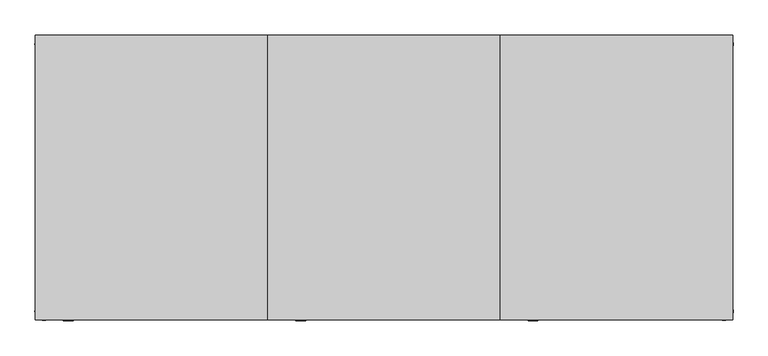
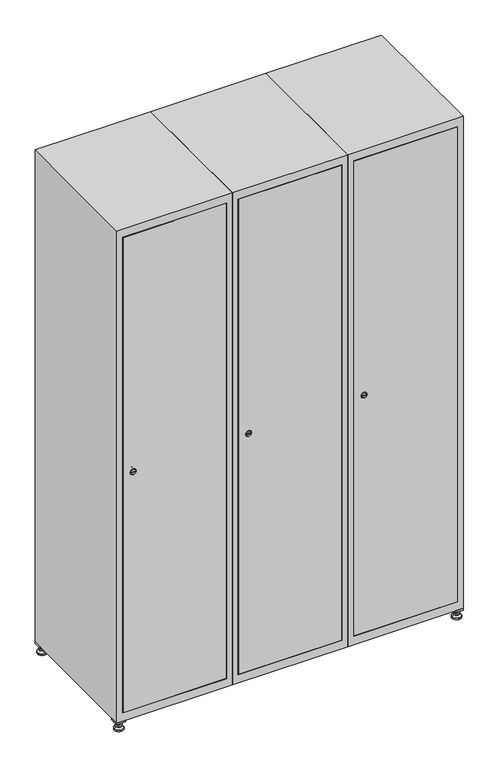
"""IFC4 building model written with IfcOpenShell, lengths in millimetres: furniture geometry."""

from ifc_helpers import new_model, si_unit, point, frame, frame_2d, origin, origin_with_axes, place, context, project, spatial, polyline, circle_curve, trimmed, segment, composite_curve, outline, extrude, faceted_brep, source, transform, mapped, element, save
from ifc_brep_helpers import plane_surface, revolved_surface, advanced_brep


def furniture_779069bf(model_context):
    return source(origin(), model_context, "Body", "SolidModel", [
        extrude(outline(polyline([(1000.0, 245.0), (1000.0, 215.0), (970.0, 215.0), (970.0, 245.0), (1000.0, 245.0)]), holes=[polyline([(998.0, 243.0), (972.0, 243.0), (972.0, 217.0), (998.0, 217.0), (998.0, 243.0)])]), frame((0.0, 0.0, 28.5), z_axis=(0.0, 0.0, 1.0), x_axis=(1.0, 0.0, 0.0)), (0.0, 0.0, 1.0), 6.5),
        extrude(outline(polyline([(970.0, -245.0), (970.0, -215.0), (1000.0, -215.0), (1000.0, -245.0), (970.0, -245.0)]), holes=[polyline([(972.0, -243.0), (998.0, -243.0), (998.0, -217.0), (972.0, -217.0), (972.0, -243.0)])]), frame((0.0, 0.0, 28.5), z_axis=(0.0, 0.0, 1.0), x_axis=(1.0, 0.0, 0.0)), (0.0, 0.0, 1.0), 6.5),
        extrude(outline(polyline([(-170.0, 245.0), (-170.0, 215.0), (-200.0, 215.0), (-200.0, 245.0), (-170.0, 245.0)]), holes=[polyline([(-172.0, 243.0), (-198.0, 243.0), (-198.0, 217.0), (-172.0, 217.0), (-172.0, 243.0)])]), frame((0.0, 0.0, 28.5), z_axis=(0.0, 0.0, 1.0), x_axis=(1.0, 0.0, 0.0)), (0.0, 0.0, 1.0), 6.5),
        extrude(outline(polyline([(-170.0, -215.0), (-170.0, -245.0), (-200.0, -245.0), (-200.0, -215.0), (-170.0, -215.0)]), holes=[polyline([(-198.0, -243.0), (-172.0, -243.0), (-172.0, -217.0), (-198.0, -217.0), (-198.0, -243.0)])]), frame((0.0, 0.0, 28.5), z_axis=(0.0, 0.0, 1.0), x_axis=(1.0, 0.0, 0.0)), (0.0, 0.0, 1.0), 6.5),
        extrude(outline(composite_curve([segment(trimmed(circle_curve(frame_2d((-185.0, 230.0)), 5.0), [point((-180.0, 230.0))], [point((-190.0, 230.0))], False, "CARTESIAN"), True, "CONTINUOUS"), segment(trimmed(circle_curve(frame_2d((-185.0, 230.0)), 5.0), [point((-190.0, 230.0))], [point((-180.0, 230.0))], False, "CARTESIAN"), True, "CONTINUOUS")], self_intersect=False)), frame((0.0, 0.0, 19.6), z_axis=(0.0, 0.0, 1.0), x_axis=(1.0, 0.0, 0.0)), (0.0, 0.0, 1.0), 15.4),
        extrude(outline(composite_curve([segment(trimmed(circle_curve(frame_2d((-185.0, -230.0)), 5.0), [point((-180.0, -230.0))], [point((-190.0, -230.0))], False, "CARTESIAN"), True, "CONTINUOUS"), segment(trimmed(circle_curve(frame_2d((-185.0, -230.0)), 5.0), [point((-190.0, -230.0))], [point((-180.0, -230.0))], False, "CARTESIAN"), True, "CONTINUOUS")], self_intersect=False)), frame((0.0, 0.0, 19.6), z_axis=(0.0, 0.0, 1.0), x_axis=(1.0, 0.0, 0.0)), (0.0, 0.0, 1.0), 15.4),
        extrude(outline(composite_curve([segment(trimmed(circle_curve(frame_2d((985.0, 230.0)), 5.0), [point((990.0, 230.0))], [point((980.0, 230.0))], False, "CARTESIAN"), True, "CONTINUOUS"), segment(trimmed(circle_curve(frame_2d((985.0, 230.0)), 5.0), [point((980.0, 230.0))], [point((990.0, 230.0))], False, "CARTESIAN"), True, "CONTINUOUS")], self_intersect=False)), frame((0.0, 0.0, 19.6), z_axis=(0.0, 0.0, 1.0), x_axis=(1.0, 0.0, 0.0)), (0.0, 0.0, 1.0), 15.4),
        extrude(outline(polyline([(973.4529946, 230.0), (979.2264973, 240.0), (990.7735027, 240.0), (996.5470054, 230.0), (990.7735027, 220.0), (979.2264973, 220.0), (973.4529946, 230.0)])), frame((0.0, 0.0, 13.6), z_axis=(0.0, 0.0, 1.0), x_axis=(1.0, 0.0, 0.0)), (0.0, 0.0, 1.0), 6.0),
        extrude(outline(composite_curve([segment(trimmed(circle_curve(frame_2d((985.0, -230.0)), 5.0), [point((990.0, -230.0))], [point((980.0, -230.0))], False, "CARTESIAN"), True, "CONTINUOUS"), segment(trimmed(circle_curve(frame_2d((985.0, -230.0)), 5.0), [point((980.0, -230.0))], [point((990.0, -230.0))], False, "CARTESIAN"), True, "CONTINUOUS")], self_intersect=False)), frame((0.0, 0.0, 19.6), z_axis=(0.0, 0.0, 1.0), x_axis=(1.0, 0.0, 0.0)), (0.0, 0.0, 1.0), 15.4),
        extrude(outline(polyline([(973.4529946, -230.0), (979.2264973, -220.0), (990.7735027, -220.0), (996.5470054, -230.0), (990.7735027, -240.0), (979.2264973, -240.0), (973.4529946, -230.0)])), frame((0.0, 0.0, 13.6), z_axis=(0.0, 0.0, 1.0), x_axis=(1.0, 0.0, 0.0)), (0.0, 0.0, 1.0), 6.0),
        extrude(outline(composite_curve([segment(trimmed(circle_curve(frame_2d((985.0, 230.0)), 5.0), [point((990.0, 230.0))], [point((980.0, 230.0))], False, "CARTESIAN"), True, "CONTINUOUS"), segment(trimmed(circle_curve(frame_2d((985.0, 230.0)), 5.0), [point((980.0, 230.0))], [point((990.0, 230.0))], False, "CARTESIAN"), True, "CONTINUOUS")], self_intersect=False)), frame((0.0, 0.0, 12.1), z_axis=(0.0, 0.0, 1.0), x_axis=(1.0, 0.0, 0.0)), (0.0, 0.0, 1.0), 1.5),
        extrude(outline(composite_curve([segment(trimmed(circle_curve(frame_2d((985.0, -230.0)), 5.0), [point((990.0, -230.0))], [point((980.0, -230.0))], False, "CARTESIAN"), True, "CONTINUOUS"), segment(trimmed(circle_curve(frame_2d((985.0, -230.0)), 5.0), [point((980.0, -230.0))], [point((990.0, -230.0))], False, "CARTESIAN"), True, "CONTINUOUS")], self_intersect=False)), frame((0.0, 0.0, 12.1), z_axis=(0.0, 0.0, 1.0), x_axis=(1.0, 0.0, 0.0)), (0.0, 0.0, 1.0), 1.5),
        extrude(outline(polyline([(-196.5470054, 230.0), (-190.7735027, 240.0), (-179.2264973, 240.0), (-173.4529946, 230.0), (-179.2264973, 220.0), (-190.7735027, 220.0), (-196.5470054, 230.0)])), frame((0.0, 0.0, 13.6), z_axis=(0.0, 0.0, 1.0), x_axis=(1.0, 0.0, 0.0)), (0.0, 0.0, 1.0), 6.0),
        extrude(outline(polyline([(-196.5470054, -230.0), (-190.7735027, -220.0), (-179.2264973, -220.0), (-173.4529946, -230.0), (-179.2264973, -240.0), (-190.7735027, -240.0), (-196.5470054, -230.0)])), frame((0.0, 0.0, 13.6), z_axis=(0.0, 0.0, 1.0), x_axis=(1.0, 0.0, 0.0)), (0.0, 0.0, 1.0), 6.0),
        extrude(outline(composite_curve([segment(trimmed(circle_curve(frame_2d((-185.0, 230.0)), 5.0), [point((-185.0, 235.0))], [point((-185.0, 225.0))], False, "CARTESIAN"), True, "CONTINUOUS"), segment(trimmed(circle_curve(frame_2d((-185.0, 230.0)), 5.0), [point((-185.0, 225.0))], [point((-185.0, 235.0))], False, "CARTESIAN"), True, "CONTINUOUS")], self_intersect=False)), frame((0.0, 0.0, 12.1), z_axis=(0.0, 0.0, 1.0), x_axis=(1.0, 0.0, 0.0)), (0.0, 0.0, 1.0), 1.5),
        extrude(outline(composite_curve([segment(trimmed(circle_curve(frame_2d((-185.0, -230.0)), 5.0), [point((-180.0, -230.0))], [point((-190.0, -230.0))], False, "CARTESIAN"), True, "CONTINUOUS"), segment(trimmed(circle_curve(frame_2d((-185.0, -230.0)), 5.0), [point((-190.0, -230.0))], [point((-180.0, -230.0))], False, "CARTESIAN"), True, "CONTINUOUS")], self_intersect=False)), frame((0.0, 0.0, 12.1), z_axis=(0.0, 0.0, 1.0), x_axis=(1.0, 0.0, 0.0)), (0.0, 0.0, 1.0), 1.5),
        extrude(outline(composite_curve([segment(trimmed(circle_curve(frame_2d((985.0, 230.0)), 15.75), [point((1000.75, 230.0))], [point((969.25, 230.0))], False, "CARTESIAN"), True, "CONTINUOUS"), segment(trimmed(circle_curve(frame_2d((985.0, 230.0)), 15.75), [point((969.25, 230.0))], [point((1000.75, 230.0))], False, "CARTESIAN"), True, "CONTINUOUS")], self_intersect=False)), origin_with_axes(), (0.0, 0.0, 1.0), 5.1),
        extrude(outline(composite_curve([segment(trimmed(circle_curve(frame_2d((985.0, -230.0)), 15.75), [point((985.0, -214.25))], [point((985.0, -245.75))], False, "CARTESIAN"), True, "CONTINUOUS"), segment(trimmed(circle_curve(frame_2d((985.0, -230.0)), 15.75), [point((985.0, -245.75))], [point((985.0, -214.25))], False, "CARTESIAN"), True, "CONTINUOUS")], self_intersect=False)), origin_with_axes(), (0.0, 0.0, 1.0), 5.1),
        extrude(outline(composite_curve([segment(trimmed(circle_curve(frame_2d((-185.0, -230.0)), 15.75), [point((-169.25, -230.0))], [point((-200.75, -230.0))], False, "CARTESIAN"), True, "CONTINUOUS"), segment(trimmed(circle_curve(frame_2d((-185.0, -230.0)), 15.75), [point((-200.75, -230.0))], [point((-169.25, -230.0))], False, "CARTESIAN"), True, "CONTINUOUS")], self_intersect=False)), origin_with_axes(), (0.0, 0.0, 1.0), 5.1),
        extrude(outline(composite_curve([segment(trimmed(circle_curve(frame_2d((-185.0, 230.0)), 15.75), [point((-169.25, 230.0))], [point((-200.75, 230.0))], False, "CARTESIAN"), True, "CONTINUOUS"), segment(trimmed(circle_curve(frame_2d((-185.0, 230.0)), 15.75), [point((-200.75, 230.0))], [point((-169.25, 230.0))], False, "CARTESIAN"), True, "CONTINUOUS")], self_intersect=False)), origin_with_axes(), (0.0, 0.0, 1.0), 5.1),
        advanced_brep(
        [(-185.0, 245.75, 5.1), (-185.0, 214.25, 5.1), (-185.0, 239.5, 12.1), (-185.0, 220.5, 12.1)],
        [
            (0, 1, circle_curve(frame((-185.0, 230.0, 5.1), z_axis=(0.0, 0.0, -1.0), x_axis=(0.0, 1.0, 0.0)), 15.75)),
            (1, 0, circle_curve(frame((-185.0, 230.0, 5.1), z_axis=(0.0, 0.0, -1.0), x_axis=(0.0, -1.0, 0.0)), 15.75)),
            (2, 3, circle_curve(frame((-185.0, 230.0, 12.1), z_axis=(0.0, 0.0, 1.0), x_axis=(0.0, -1.0, 0.0)), 9.5)),
            (3, 2, circle_curve(frame((-185.0, 230.0, 12.1), z_axis=(0.0, 0.0, 1.0), x_axis=(0.0, 1.0, 0.0)), 9.5)),
            (3, 1),
            (0, 2),
        ],
        [
            plane_surface(frame((-185.0, 230.0, 5.1), z_axis=(0.0, 0.0, -1.0), x_axis=(1.0, 0.0, 0.0))),
            plane_surface(frame((-185.0, 230.0, 12.1), z_axis=(0.0, 0.0, 1.0), x_axis=(1.0, 0.0, 0.0))),
            revolved_surface(polyline([(-185.0, 220.5, 12.099999999999998), (-185.0, 214.25, 5.099999999999998)]), (-185.0, 230.0, 22.74), (0.0, 0.0, -1.0)),
            revolved_surface(polyline([(-185.0, 239.5, 12.099999999999998), (-185.0, 245.75, 5.099999999999998)]), (-185.0, 230.0, 22.74), (0.0, 0.0, -1.0)),
        ],
        [
            (0, [[1, 2]]),
            (1, [[3, 4]]),
            (2, [[-4, 5, -1, 6]]),
            (3, [[-3, -6, -2, -5]]),
        ],
    ),
        advanced_brep(
        [(985.0, 245.75, 5.1), (985.0, 214.25, 5.1), (985.0, 239.5, 12.1), (985.0, 220.5, 12.1)],
        [
            (0, 1, circle_curve(frame((985.0, 230.0, 5.1), z_axis=(0.0, 0.0, -1.0), x_axis=(0.0, 1.0, 0.0)), 15.75)),
            (1, 0, circle_curve(frame((985.0, 230.0, 5.1), z_axis=(0.0, 0.0, -1.0), x_axis=(0.0, -1.0, 0.0)), 15.75)),
            (2, 3, circle_curve(frame((985.0, 230.0, 12.1), z_axis=(0.0, 0.0, 1.0), x_axis=(0.0, -1.0, 0.0)), 9.5)),
            (3, 2, circle_curve(frame((985.0, 230.0, 12.1), z_axis=(0.0, 0.0, 1.0), x_axis=(0.0, 1.0, 0.0)), 9.5)),
            (3, 1),
            (0, 2),
        ],
        [
            plane_surface(frame((985.0, 230.0, 5.1), z_axis=(0.0, 0.0, -1.0), x_axis=(1.0, 0.0, 0.0))),
            plane_surface(frame((985.0, 230.0, 12.1), z_axis=(0.0, 0.0, 1.0), x_axis=(1.0, 0.0, 0.0))),
            revolved_surface(polyline([(985.0, 220.5, 12.099999999999998), (985.0, 214.25, 5.099999999999998)]), (985.0, 230.0, 22.74), (0.0, 0.0, -1.0)),
            revolved_surface(polyline([(985.0, 239.5, 12.099999999999998), (985.0, 245.75, 5.099999999999998)]), (985.0, 230.0, 22.74), (0.0, 0.0, -1.0)),
        ],
        [
            (0, [[1, 2]]),
            (1, [[3, 4]]),
            (2, [[-4, 5, -1, 6]]),
            (3, [[-3, -6, -2, -5]]),
        ],
    ),
        advanced_brep(
        [(994.5, -230.0, 12.1), (975.5, -230.0, 12.1), (1000.75, -230.0, 5.1), (969.25, -230.0, 5.1)],
        [
            (0, 1, circle_curve(frame((985.0, -230.0, 12.1), z_axis=(0.0, 0.0, 1.0), x_axis=(1.0, 0.0, 0.0)), 9.5)),
            (1, 0, circle_curve(frame((985.0, -230.0, 12.1), z_axis=(0.0, 0.0, 1.0), x_axis=(-1.0, 0.0, 0.0)), 9.5)),
            (2, 3, circle_curve(frame((985.0, -230.0, 5.1), z_axis=(0.0, 0.0, -1.0), x_axis=(-1.0, 0.0, 0.0)), 15.75)),
            (3, 2, circle_curve(frame((985.0, -230.0, 5.1), z_axis=(0.0, 0.0, -1.0), x_axis=(1.0, 0.0, 0.0)), 15.75)),
            (3, 1),
            (0, 2),
        ],
        [
            plane_surface(frame((985.0, -230.0, 12.1), z_axis=(0.0, 0.0, 1.0), x_axis=(0.0, 1.0, 0.0))),
            plane_surface(frame((985.0, -230.0, 5.1), z_axis=(0.0, 0.0, -1.0), x_axis=(0.0, 1.0, 0.0))),
            revolved_surface(polyline([(994.5, -230.0, 12.099999999999998), (1000.75, -230.0, 5.099999999999998)]), (985.0, -230.0, 22.74), (0.0, 0.0, -1.0)),
            revolved_surface(polyline([(975.5, -230.0, 12.099999999999998), (969.25, -230.0, 5.099999999999998)]), (985.0, -230.0, 22.74), (0.0, 0.0, -1.0)),
        ],
        [
            (0, [[1, 2]]),
            (1, [[3, 4]]),
            (2, [[-4, 5, -1, 6]]),
            (3, [[-3, -6, -2, -5]]),
        ],
    ),
        advanced_brep(
        [(-175.5, -230.0, 12.1), (-194.5, -230.0, 12.1), (-169.25, -230.0, 5.1), (-200.75, -230.0, 5.1)],
        [
            (0, 1, circle_curve(frame((-185.0, -230.0, 12.1), z_axis=(0.0, 0.0, 1.0), x_axis=(1.0, 0.0, 0.0)), 9.5)),
            (1, 0, circle_curve(frame((-185.0, -230.0, 12.1), z_axis=(0.0, 0.0, 1.0), x_axis=(-1.0, 0.0, 0.0)), 9.5)),
            (2, 3, circle_curve(frame((-185.0, -230.0, 5.1), z_axis=(0.0, 0.0, -1.0), x_axis=(-1.0, 0.0, 0.0)), 15.75)),
            (3, 2, circle_curve(frame((-185.0, -230.0, 5.1), z_axis=(0.0, 0.0, -1.0), x_axis=(1.0, 0.0, 0.0)), 15.75)),
            (3, 1),
            (0, 2),
        ],
        [
            plane_surface(frame((-185.0, -230.0, 12.1), z_axis=(0.0, 0.0, 1.0), x_axis=(0.0, 1.0, 0.0))),
            plane_surface(frame((-185.0, -230.0, 5.1), z_axis=(0.0, 0.0, -1.0), x_axis=(0.0, 1.0, 0.0))),
            revolved_surface(polyline([(-175.5, -230.0, 12.099999999999998), (-169.25, -230.0, 5.099999999999998)]), (-185.0, -230.0, 22.74), (0.0, 0.0, -1.0)),
            revolved_surface(polyline([(-194.5, -230.0, 12.099999999999998), (-200.75, -230.0, 5.099999999999998)]), (-185.0, -230.0, 22.74), (0.0, 0.0, -1.0)),
        ],
        [
            (0, [[1, 2]]),
            (1, [[3, 4]]),
            (2, [[-4, 5, -1, 6]]),
            (3, [[-3, -6, -2, -5]]),
        ],
    ),
        extrude(outline(composite_curve([segment(trimmed(circle_curve(frame_2d((935.0, 629.6010534)), 7.0), [point((942.0, 629.6010534))], [point((928.0, 629.6010534))], False, "CARTESIAN"), True, "CONTINUOUS"), segment(polyline([(928.0, 629.6010534), (928.0, 657.6010534)]), True, "CONTINUOUS"), segment(trimmed(circle_curve(frame_2d((935.0, 657.6010534)), 7.0), [point((928.0, 657.6010534))], [point((942.0, 657.6010534))], False, "CARTESIAN"), True, "CONTINUOUS"), segment(polyline([(942.0, 657.6010534), (942.0, 629.6010534)]), True, "CONTINUOUS")], self_intersect=False)), frame((0.0, -227.0, 0.0), z_axis=(0.0, 1.0, 0.0), x_axis=(0.0, 0.0, 1.0)), (0.0, 0.0, 1.0), 2.0),
        advanced_brep(
        [(664.9, -247.2, 935.0), (647.9, -247.2, 935.0), (651.4, -247.2, 933.75), (651.4, -247.2, 936.25), (661.4, -247.2, 936.25), (661.4, -247.2, 933.75), (666.9, -245.0, 935.0), (645.9, -245.0, 935.0), (651.4, -245.0, 936.25), (651.4, -245.0, 933.75), (661.4, -245.0, 933.75), (661.4, -245.0, 936.25)],
        [
            (0, 1, circle_curve(frame((656.4, -247.2, 935.0), z_axis=(0.0, -1.0, 0.0), x_axis=(1.0, 0.0, 0.0)), 8.5)),
            (1, 0, circle_curve(frame((656.4, -247.2, 935.0), z_axis=(0.0, -1.0, 0.0), x_axis=(-1.0, 0.0, 0.0)), 8.5)),
            (2, 3),
            (3, 4),
            (4, 5),
            (5, 2),
            (6, 7, circle_curve(frame((656.4, -245.0, 935.0), z_axis=(0.0, 1.0, 0.0), x_axis=(-1.0, 0.0, 0.0)), 10.5)),
            (7, 6, circle_curve(frame((656.4, -245.0, 935.0), z_axis=(0.0, 1.0, 0.0), x_axis=(1.0, 0.0, 0.0)), 10.5)),
            (8, 9),
            (9, 10),
            (10, 11),
            (11, 8),
            (0, 6),
            (7, 1),
            (8, 3),
            (2, 9),
            (11, 4),
            (10, 5),
        ],
        [
            plane_surface(frame((656.4, -247.2, 935.0), z_axis=(0.0, -1.0, 0.0), x_axis=(0.0, 0.0, 1.0))),
            plane_surface(frame((656.4, -245.0, 935.0), z_axis=(0.0, 1.0, 0.0), x_axis=(0.0, 0.0, 1.0))),
            revolved_surface(polyline([(664.9, -247.2, 935.0), (666.9, -245.0, 935.0)]), (656.4, -256.55, 935.0), (0.0, 1.0, 0.0)),
            revolved_surface(polyline([(647.9, -247.2, 935.0), (645.9, -245.0, 935.0)]), (656.4, -256.55, 935.0), (0.0, 1.0, 0.0)),
            plane_surface(frame((651.4, -245.0, 933.75), z_axis=(1.0, 0.0, 0.0), x_axis=(0.0, -1.0, 0.0))),
            plane_surface(frame((651.4, -245.0, 936.25), z_axis=(0.0, 0.0, -1.0), x_axis=(0.0, -1.0, 0.0))),
            plane_surface(frame((661.4, -245.0, 936.25), z_axis=(-1.0, 0.0, 0.0), x_axis=(0.0, -1.0, 0.0))),
            plane_surface(frame((661.4, -245.0, 933.75), z_axis=(0.0, 0.0, 1.0), x_axis=(0.0, -1.0, 0.0))),
        ],
        [
            (0, [[1, 2], [3, 4, 5, 6]]),
            (1, [[7, 8], [9, 10, 11, 12]]),
            (2, [[-1, 13, -8, 14]]),
            (3, [[-2, -14, -7, -13]]),
            (4, [[15, -3, 16, -9]]),
            (5, [[-15, -12, 17, -4]]),
            (6, [[-17, -11, 18, -5]]),
            (7, [[-16, -6, -18, -10]]),
        ],
    ),
        extrude(outline(polyline([(978.6, -227.0), (978.6, -245.0), (621.4, -245.0), (621.4, -227.0), (978.6, -227.0)])), frame((0.0, 0.0, 66.2), z_axis=(0.0, 0.0, 1.0), x_axis=(1.0, 0.0, 0.0)), (0.0, 0.0, 1.0), 1737.6),
        faceted_brep([(1000.0, -245.0, 35.0), (1000.0, -245.0, 1835.0), (600.0, -245.0, 1835.0), (600.0, -245.0, 35.0), (979.6, -245.0, 1804.8), (979.6, -245.0, 65.2), (620.4, -245.0, 65.2), (620.4, -245.0, 1804.8), (1000.0, 245.0, 35.0), (600.0, 245.0, 35.0), (1000.0, 245.0, 1835.0), (600.0, 245.0, 1835.0), (979.6, 242.0, 1804.8), (979.6, 242.0, 65.2), (600.0, 245.0, 1804.8), (620.4, 242.0, 1804.8), (620.4, 242.0, 65.2)], [[[0, 1, 2, 3], [4, 5, 6, 7]], [[8, 0, 3, 9]], [[1, 0, 8, 10]], [[1, 10, 11, 2]], [[4, 12, 13, 5]], [[9, 3, 2, 11, 14]], [[10, 8, 9, 14, 11]], [[12, 15, 16, 13]], [[15, 7, 6, 16]], [[4, 7, 15, 12]], [[6, 5, 13, 16]]]),
        extrude(outline(composite_curve([segment(trimmed(circle_curve(frame_2d((935.0, 229.6010534)), 7.0), [point((942.0, 229.6010534))], [point((928.0, 229.6010534))], False, "CARTESIAN"), True, "CONTINUOUS"), segment(polyline([(928.0, 229.6010534), (928.0, 257.6010534)]), True, "CONTINUOUS"), segment(trimmed(circle_curve(frame_2d((935.0, 257.6010534)), 7.0), [point((928.0, 257.6010534))], [point((942.0, 257.6010534))], False, "CARTESIAN"), True, "CONTINUOUS"), segment(polyline([(942.0, 257.6010534), (942.0, 229.6010534)]), True, "CONTINUOUS")], self_intersect=False)), frame((0.0, -227.0, 0.0), z_axis=(0.0, 1.0, 0.0), x_axis=(0.0, 0.0, 1.0)), (0.0, 0.0, 1.0), 2.0),
        advanced_brep(
        [(264.9, -247.2, 935.0), (247.9, -247.2, 935.0), (251.4, -247.2, 933.75), (251.4, -247.2, 936.25), (261.4, -247.2, 936.25), (261.4, -247.2, 933.75), (266.9, -245.0, 935.0), (245.9, -245.0, 935.0), (251.4, -245.0, 936.25), (251.4, -245.0, 933.75), (261.4, -245.0, 933.75), (261.4, -245.0, 936.25)],
        [
            (0, 1, circle_curve(frame((256.4, -247.2, 935.0), z_axis=(0.0, -1.0, 0.0), x_axis=(1.0, 0.0, 0.0)), 8.5)),
            (1, 0, circle_curve(frame((256.4, -247.2, 935.0), z_axis=(0.0, -1.0, 0.0), x_axis=(-1.0, 0.0, 0.0)), 8.5)),
            (2, 3),
            (3, 4),
            (4, 5),
            (5, 2),
            (6, 7, circle_curve(frame((256.4, -245.0, 935.0), z_axis=(0.0, 1.0, 0.0), x_axis=(-1.0, 0.0, 0.0)), 10.5)),
            (7, 6, circle_curve(frame((256.4, -245.0, 935.0), z_axis=(0.0, 1.0, 0.0), x_axis=(1.0, 0.0, 0.0)), 10.5)),
            (8, 9),
            (9, 10),
            (10, 11),
            (11, 8),
            (0, 6),
            (7, 1),
            (8, 3),
            (2, 9),
            (11, 4),
            (10, 5),
        ],
        [
            plane_surface(frame((256.4, -247.2, 935.0), z_axis=(0.0, -1.0, 0.0), x_axis=(0.0, 0.0, 1.0))),
            plane_surface(frame((256.4, -245.0, 935.0), z_axis=(0.0, 1.0, 0.0), x_axis=(0.0, 0.0, 1.0))),
            revolved_surface(polyline([(264.9, -247.2, 935.0), (266.9, -245.0, 935.0)]), (256.4, -256.55, 935.0), (0.0, 1.0, 0.0)),
            revolved_surface(polyline([(247.89999999999998, -247.2, 935.0), (245.9, -245.0, 935.0)]), (256.4, -256.55, 935.0), (0.0, 1.0, 0.0)),
            plane_surface(frame((251.4, -245.0, 933.75), z_axis=(1.0, 0.0, 0.0), x_axis=(0.0, -1.0, 0.0))),
            plane_surface(frame((251.4, -245.0, 936.25), z_axis=(0.0, 0.0, -1.0), x_axis=(0.0, -1.0, 0.0))),
            plane_surface(frame((261.4, -245.0, 936.25), z_axis=(-1.0, 0.0, 0.0), x_axis=(0.0, -1.0, 0.0))),
            plane_surface(frame((261.4, -245.0, 933.75), z_axis=(0.0, 0.0, 1.0), x_axis=(0.0, -1.0, 0.0))),
        ],
        [
            (0, [[1, 2], [3, 4, 5, 6]]),
            (1, [[7, 8], [9, 10, 11, 12]]),
            (2, [[-1, 13, -8, 14]]),
            (3, [[-2, -14, -7, -13]]),
            (4, [[15, -3, 16, -9]]),
            (5, [[-15, -12, 17, -4]]),
            (6, [[-17, -11, 18, -5]]),
            (7, [[-16, -6, -18, -10]]),
        ],
    ),
        extrude(outline(polyline([(578.6, -227.0), (578.6, -245.0), (221.4, -245.0), (221.4, -227.0), (578.6, -227.0)])), frame((0.0, 0.0, 66.2), z_axis=(0.0, 0.0, 1.0), x_axis=(1.0, 0.0, 0.0)), (0.0, 0.0, 1.0), 1737.6),
        faceted_brep([(600.0, -245.0, 35.0), (600.0, -245.0, 1835.0), (200.0, -245.0, 1835.0), (200.0, -245.0, 35.0), (579.6, -245.0, 1804.8), (579.6, -245.0, 65.2), (220.4, -245.0, 65.2), (220.4, -245.0, 1804.8), (600.0, 245.0, 35.0), (200.0, 245.0, 35.0), (600.0, 245.0, 1835.0), (200.0, 245.0, 1835.0), (579.6, 242.0, 1804.8), (579.6, 242.0, 65.2), (200.0, 245.0, 1804.8), (220.4, 242.0, 1804.8), (220.4, 242.0, 65.2)], [[[0, 1, 2, 3], [4, 5, 6, 7]], [[8, 0, 3, 9]], [[1, 0, 8, 10]], [[1, 10, 11, 2]], [[4, 12, 13, 5]], [[9, 3, 2, 11, 14]], [[10, 8, 9, 14, 11]], [[12, 15, 16, 13]], [[15, 7, 6, 16]], [[4, 7, 15, 12]], [[6, 5, 13, 16]]]),
        extrude(outline(composite_curve([segment(trimmed(circle_curve(frame_2d((935.0, -170.3989466)), 7.0), [point((942.0, -170.3989466))], [point((928.0, -170.3989466))], False, "CARTESIAN"), True, "CONTINUOUS"), segment(polyline([(928.0, -170.3989466), (928.0, -142.3989466)]), True, "CONTINUOUS"), segment(trimmed(circle_curve(frame_2d((935.0, -142.3989466)), 7.0), [point((928.0, -142.3989466))], [point((942.0, -142.3989466))], False, "CARTESIAN"), True, "CONTINUOUS"), segment(polyline([(942.0, -142.3989466), (942.0, -170.3989466)]), True, "CONTINUOUS")], self_intersect=False)), frame((0.0, -227.0, 0.0), z_axis=(0.0, 1.0, 0.0), x_axis=(0.0, 0.0, 1.0)), (0.0, 0.0, 1.0), 2.0),
        advanced_brep(
        [(-135.1, -247.2, 935.0), (-152.1, -247.2, 935.0), (-148.6, -247.2, 933.75), (-148.6, -247.2, 936.25), (-138.6, -247.2, 936.25), (-138.6, -247.2, 933.75), (-133.1, -245.0, 935.0), (-154.1, -245.0, 935.0), (-148.6, -245.0, 936.25), (-148.6, -245.0, 933.75), (-138.6, -245.0, 933.75), (-138.6, -245.0, 936.25)],
        [
            (0, 1, circle_curve(frame((-143.6, -247.2, 935.0), z_axis=(0.0, -1.0, 0.0), x_axis=(1.0, 0.0, 0.0)), 8.5)),
            (1, 0, circle_curve(frame((-143.6, -247.2, 935.0), z_axis=(0.0, -1.0, 0.0), x_axis=(-1.0, 0.0, 0.0)), 8.5)),
            (2, 3),
            (3, 4),
            (4, 5),
            (5, 2),
            (6, 7, circle_curve(frame((-143.6, -245.0, 935.0), z_axis=(0.0, 1.0, 0.0), x_axis=(-1.0, 0.0, 0.0)), 10.5)),
            (7, 6, circle_curve(frame((-143.6, -245.0, 935.0), z_axis=(0.0, 1.0, 0.0), x_axis=(1.0, 0.0, 0.0)), 10.5)),
            (8, 9),
            (9, 10),
            (10, 11),
            (11, 8),
            (0, 6),
            (7, 1),
            (8, 3),
            (2, 9),
            (11, 4),
            (10, 5),
        ],
        [
            plane_surface(frame((-143.6, -247.2, 935.0), z_axis=(0.0, -1.0, 0.0), x_axis=(0.0, 0.0, 1.0))),
            plane_surface(frame((-143.6, -245.0, 935.0), z_axis=(0.0, 1.0, 0.0), x_axis=(0.0, 0.0, 1.0))),
            revolved_surface(polyline([(-135.1, -247.2, 935.0), (-133.1, -245.0, 935.0)]), (-143.6, -256.55, 935.0), (0.0, 1.0, 0.0)),
            revolved_surface(polyline([(-152.1, -247.2, 935.0), (-154.1, -245.0, 935.0)]), (-143.6, -256.55, 935.0), (0.0, 1.0, 0.0)),
            plane_surface(frame((-148.6, -245.0, 933.75), z_axis=(1.0, 0.0, 0.0), x_axis=(0.0, -1.0, 0.0))),
            plane_surface(frame((-148.6, -245.0, 936.25), z_axis=(0.0, 0.0, -1.0), x_axis=(0.0, -1.0, 0.0))),
            plane_surface(frame((-138.6, -245.0, 936.25), z_axis=(-1.0, 0.0, 0.0), x_axis=(0.0, -1.0, 0.0))),
            plane_surface(frame((-138.6, -245.0, 933.75), z_axis=(0.0, 0.0, 1.0), x_axis=(0.0, -1.0, 0.0))),
        ],
        [
            (0, [[1, 2], [3, 4, 5, 6]]),
            (1, [[7, 8], [9, 10, 11, 12]]),
            (2, [[-1, 13, -8, 14]]),
            (3, [[-2, -14, -7, -13]]),
            (4, [[15, -3, 16, -9]]),
            (5, [[-15, -12, 17, -4]]),
            (6, [[-17, -11, 18, -5]]),
            (7, [[-16, -6, -18, -10]]),
        ],
    ),
        extrude(outline(polyline([(178.6, -227.0), (178.6, -245.0), (-178.6, -245.0), (-178.6, -227.0), (178.6, -227.0)])), frame((0.0, 0.0, 66.2), z_axis=(0.0, 0.0, 1.0), x_axis=(1.0, 0.0, 0.0)), (0.0, 0.0, 1.0), 1737.6),
        faceted_brep([(200.0, -245.0, 35.0), (200.0, -245.0, 1835.0), (-200.0, -245.0, 1835.0), (-200.0, -245.0, 35.0), (179.6, -245.0, 1804.8), (179.6, -245.0, 65.2), (-179.6, -245.0, 65.2), (-179.6, -245.0, 1804.8), (200.0, 245.0, 35.0), (-200.0, 245.0, 35.0), (200.0, 245.0, 1835.0), (-200.0, 245.0, 1835.0), (179.6, 242.0, 1804.8), (179.6, 242.0, 65.2), (-200.0, 245.0, 1804.8), (-179.6, 242.0, 1804.8), (-179.6, 242.0, 65.2)], [[[0, 1, 2, 3], [4, 5, 6, 7]], [[8, 0, 3, 9]], [[1, 0, 8, 10]], [[1, 10, 11, 2]], [[4, 12, 13, 5]], [[9, 3, 2, 11, 14]], [[10, 8, 9, 14, 11]], [[12, 15, 16, 13]], [[15, 7, 6, 16]], [[4, 7, 15, 12]], [[6, 5, 13, 16]]]),
    ])


if __name__ == "__main__":
    model = new_model("IFC4")
    model_context = context("Model", 3, world=origin())
    ifc_project = project(units=[si_unit("LENGTHUNIT", "METRE", prefix="MILLI")], contexts=[model_context])
    site = spatial("IfcSite", under=ifc_project)
    building = spatial("IfcBuilding", under=site)
    placement = place(None, origin())
    furniture_shape = furniture_779069bf(model_context)
    element("IfcFurniture", 1, at=placement, inside=building, context=model_context, shape_type="MappedRepresentation", body=[
        mapped(furniture_shape, transform((0.0, 0.0, 0.0), x_axis=(1.0, 0.0, 0.0), y_axis=(0.0, 1.0, 0.0), z_axis=(0.0, 0.0, 1.0))),
    ])
    save(model, "model.ifc")
